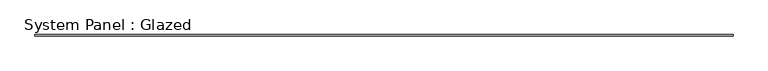
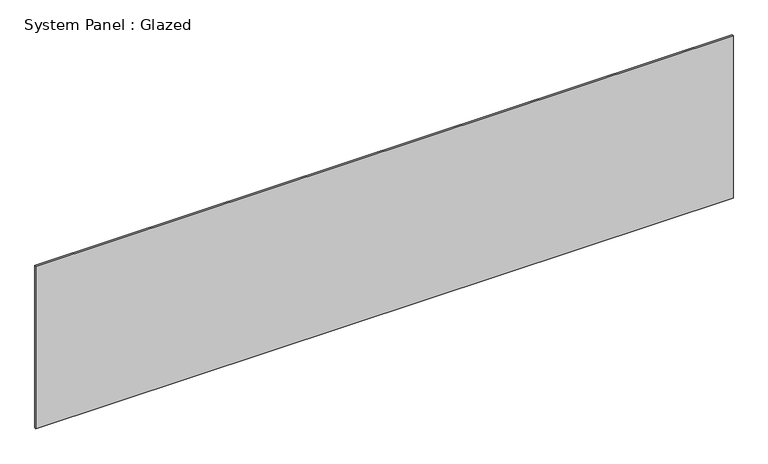
"""IFC4 building model written with IfcOpenShell, lengths in millimetres: plate geometry, System Panel : Glazed."""

from ifc_helpers import new_model, si_unit, origin, origin_with_axes, place, context, project, spatial, polyline, outline, extrude, source, transform, mapped, element, save


def system_panel_glazed_a0667d7e(model_context):
    return source(origin(), model_context, "Body", "SweptSolid", [
        extrude(outline(polyline([(6087.4460576, 24.5), (-6087.4460576, 24.5), (-6087.4460576, 49.5), (6087.4460576, 49.5), (6087.4460576, 24.5)])), origin_with_axes(), (0.0, 0.0, 1.0), 3000.0),
    ])


if __name__ == "__main__":
    model = new_model("IFC4")
    model_context = context("Model", 3, world=origin())
    ifc_project = project(units=[si_unit("LENGTHUNIT", "METRE", prefix="MILLI")], contexts=[model_context])
    site = spatial("IfcSite", under=ifc_project)
    building = spatial("IfcBuilding", under=site)
    placement = place(None, origin())
    system_panel_glazed_shape = system_panel_glazed_a0667d7e(model_context)
    element("IfcPlate", 1, ObjectType="System Panel : Glazed", at=placement, inside=building, context=model_context, shape_type="MappedRepresentation", body=[
        mapped(system_panel_glazed_shape, transform((0.0, 0.0, 0.0), x_axis=(1.0, 0.0, 0.0), y_axis=(0.0, 1.0, 0.0), z_axis=(0.0, 0.0, 1.0))),
    ])
    save(model, "model.ifc")
